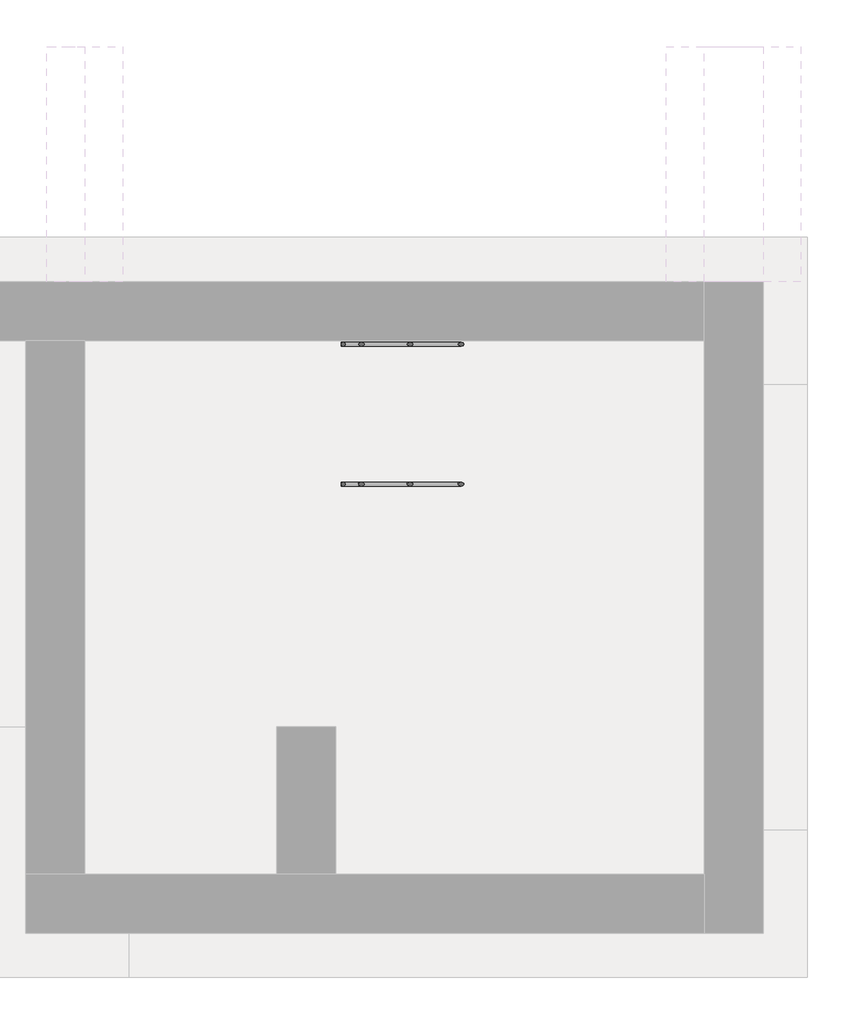
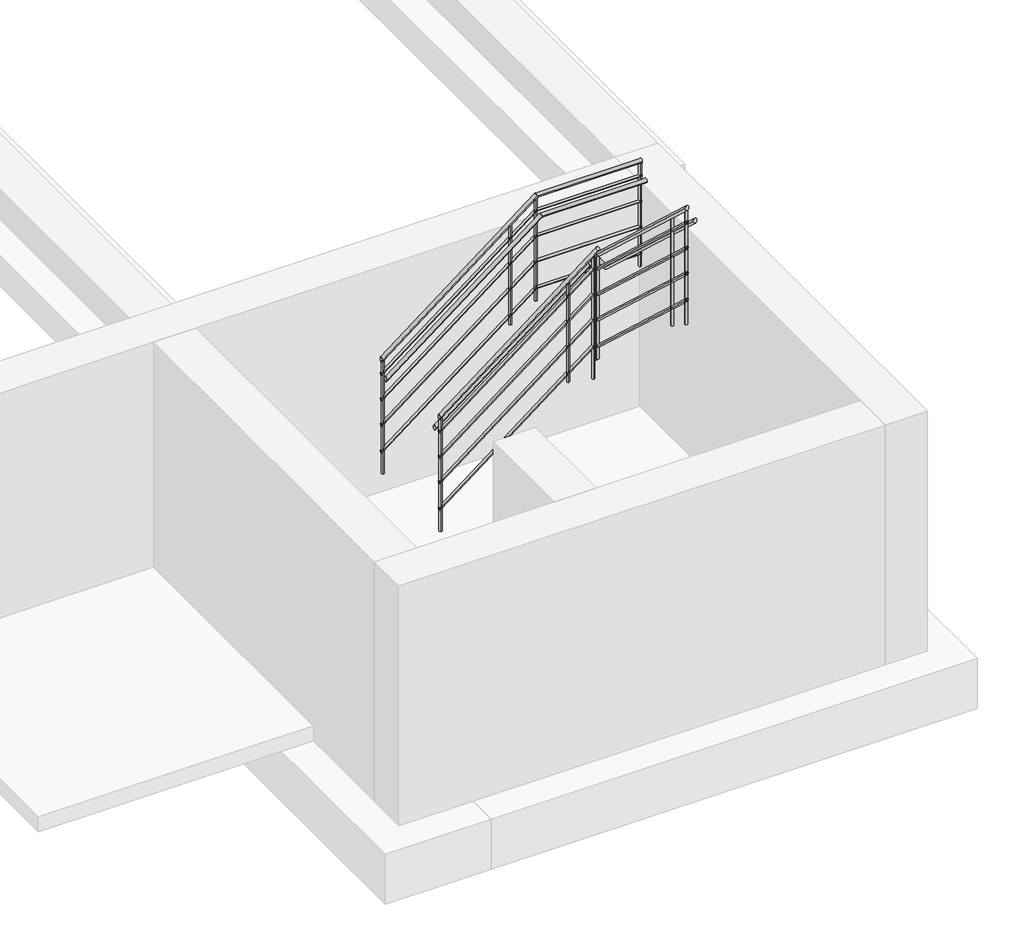
# One storey, part 2 of 2: 2 railings.
"""IFC4 building model written with IfcOpenShell, lengths in millimetres."""

from ifc_helpers import new_model, si_unit, point, frame, frame_2d, origin, place, context, project, spatial, circle_curve, ellipse_curve, trimmed, segment, composite_curve, outline, extrude, element, save
from ifc_brep_helpers import plane_surface, cylinder_surface, advanced_brep

model = new_model("IFC4")

# Units and contexts
model_context = context("Model", 3, world=origin())
ifc_project = project(units=[si_unit("LENGTHUNIT", "METRE", prefix="MILLI")], contexts=[model_context])

# Site, building, storey
site = spatial("IfcSite", under=ifc_project)
building = spatial("IfcBuilding", under=site)
storey = spatial("IfcBuildingStorey", under=building, Elevation=-2400.0)

# Railings
placement = place(None, origin())
element("IfcRailing", 1, at=placement, inside=storey, context=model_context, shape_type="AdvancedBrep", body=[
    advanced_brep(
    [(-1443.694566, 627.6465613, -1057.0709193), (-1443.694566, 665.7465613, -1057.0709193), (12.741524, 627.6465613, 64.5342762), (12.741524, 665.7465613, 64.5342762), (136.955434, 665.7465613, 64.5342762), (98.855434, 627.6465613, 64.5342762), (98.855434, 546.0415683, 64.5342762), (136.955434, 546.0415683, 64.5342762), (98.855434, -914.9034387, 1412.1701116), (136.955434, -914.9034387, 1412.1701116)],
    [
        (0, 1, ellipse_curve(frame((-1443.694566, 646.6965613, -1057.0709193), z_axis=(-1.0, 0.0, 0.0), x_axis=(0.0, 0.0, -1.0)), 24.0442244, 19.05)),
        (1, 0, ellipse_curve(frame((-1443.694566, 646.6965613, -1057.0709193), z_axis=(-1.0, 0.0, 0.0), x_axis=(0.0, 0.0, -1.0)), 24.0442244, 19.05)),
        (0, 2),
        (2, 3, ellipse_curve(frame((12.741524, 646.6965613, 64.5342762), z_axis=(-0.9466493702503109, 0.0, -0.32226537171202535), x_axis=(0.32226537171202535, 0.0, -0.9466493702503108)), 20.1236071, 19.05)),
        (3, 1),
        (3, 2, ellipse_curve(frame((12.741524, 646.6965613, 64.5342762), z_axis=(-0.9466493702503109, 0.0, -0.32226537171202535), x_axis=(0.32226537171202535, 0.0, -0.9466493702503108)), 20.1236071, 19.05)),
        (4, 5, ellipse_curve(frame((117.905434, 646.6965613, 64.5342762), z_axis=(0.7071067811865458, -0.7071067811865492, 0.0), x_axis=(0.7071067811865492, 0.7071067811865458, 0.0)), 26.9407684, 19.05)),
        (5, 6),
        (6, 7, ellipse_curve(frame((117.905434, 546.0415683, 64.5342762), z_axis=(0.0, 0.9314065444709502, -0.36398056117969285), x_axis=(0.0, 0.3639805611796922, 0.9314065444709503)), 20.4529377, 19.05)),
        (7, 4),
        (5, 4, ellipse_curve(frame((117.905434, 646.6965613, 64.5342762), z_axis=(0.7071067811865458, -0.7071067811865492, 0.0), x_axis=(0.7071067811865492, 0.7071067811865458, 0.0)), 26.9407684, 19.05)),
        (7, 6, ellipse_curve(frame((117.905434, 546.0415683, 64.5342762), z_axis=(0.0, 0.9314065444709502, -0.36398056117969285), x_axis=(0.0, 0.3639805611796922, 0.9314065444709503)), 20.4529377, 19.05)),
        (2, 5),
        (4, 3),
        (8, 9, ellipse_curve(frame((117.905434, -914.9034387, 1412.1701116), z_axis=(0.0, -1.0, 0.0), x_axis=(0.0, 0.0, -1.0)), 25.9170873, 19.05)),
        (9, 8, ellipse_curve(frame((117.905434, -914.9034387, 1412.1701116), z_axis=(0.0, -1.0, 0.0), x_axis=(0.0, 0.0, -1.0)), 25.9170873, 19.05)),
        (6, 8),
        (9, 7),
    ],
    [
        plane_surface(frame((-1443.694566, 646.6965613, -1033.026695), z_axis=(-1.0, 0.0, 0.0), x_axis=(0.0, 1.0, 0.0))),
        cylinder_surface(frame((-1432.071311, 646.6965613, -1048.1198206), z_axis=(-0.7922900603906203, 0.0, -0.6101446223693423), x_axis=(0.0, 1.0, 0.0)), 19.05),
        cylinder_surface(frame((117.905434, 646.6965613, 64.5342762), z_axis=(0.0, 1.0, 0.0), x_axis=(1.0, 0.0, 0.0)), 19.05),
        cylinder_surface(frame((6.2563823, 646.6965613, 64.5342762), z_axis=(-1.0, 0.0, 0.0), x_axis=(0.0, 1.0, 0.0)), 19.05),
        plane_surface(frame((117.905434, -914.9034387, 1438.0871989), z_axis=(0.0, -1.0, 0.0), x_axis=(0.0, 0.0, -1.0))),
        cylinder_surface(frame((117.905434, 540.5696113, 69.5818347), z_axis=(0.0, 0.7350363021666317, -0.6780277534859499), x_axis=(1.0, 0.0, 0.0)), 19.05),
    ],
    [
        (0, [[1, 2]]),
        (1, [[-1, 3, 4, 5]]),
        (1, [[-2, -5, 6, -3]]),
        (2, [[7, 8, 9, 10]]),
        (2, [[11, -10, 12, -8]]),
        (3, [[-4, 13, -7, 14]]),
        (3, [[-6, -14, -11, -13]]),
        (4, [[15, 16]]),
        (5, [[-9, 17, -16, 18]]),
        (5, [[-12, -18, -15, -17]]),
    ],
),
    advanced_brep(
    [(-1443.694566, 551.4465613, -904.6709193), (-1443.694566, 589.5465613, -904.6709193), (51.2164591, 551.4465613, 246.5639231), (66.9114928, 589.5465613, 258.6507092)],
    [
        (0, 1, ellipse_curve(frame((-1443.694566, 570.4965613, -904.6709193), z_axis=(-1.0, 0.0, 0.0), x_axis=(0.0, 0.0, -1.0)), 24.0442244, 19.05)),
        (1, 0, ellipse_curve(frame((-1443.694566, 570.4965613, -904.6709193), z_axis=(-1.0, 0.0, 0.0), x_axis=(0.0, 0.0, -1.0)), 24.0442244, 19.05)),
        (2, 3, ellipse_curve(frame((59.0639759, 570.4965613, 252.6073162), z_axis=(0.47118488526103447, -0.43713535359553446, 0.766092348570623), x_axis=(-0.7316567880904736, -0.6787846104089542, 0.06268809387033629)), 22.6585502, 19.05)),
        (3, 2, ellipse_curve(frame((59.0639759, 570.4965613, 252.6073162), z_axis=(0.47118488526103447, -0.43713535359553446, 0.766092348570623), x_axis=(-0.7316567880904736, -0.6787846104089542, 0.06268809387033629)), 22.6585502, 19.05)),
        (0, 2),
        (3, 1),
    ],
    [
        plane_surface(frame((-1443.694566, 570.4965613, -880.626695), z_axis=(-1.0, 0.0, 0.0), x_axis=(0.0, 1.0, 0.0))),
        plane_surface(frame((41.705434, 570.4965613, 263.2836825), z_axis=(0.47118488526103447, -0.43713535359553446, 0.766092348570623), x_axis=(0.8820344686584226, 0.23351873282314817, -0.4092483323351793))),
        cylinder_surface(frame((-1432.071311, 570.4965613, -895.7198206), z_axis=(-0.7922900603906202, 0.0, -0.6101446223693423), x_axis=(0.0, 1.0, 0.0)), 19.05),
    ],
    [
        (0, [[1, 2]]),
        (1, [[3, 4]]),
        (2, [[-1, 5, -4, 6]]),
        (2, [[-2, -6, -3, -5]]),
    ],
),
    advanced_brep(
    [(22.655434, 521.9878721, 239.1223961), (60.755434, 537.6829059, 224.6446507), (22.655434, -914.9034387, 1564.5701116), (60.755434, -914.9034387, 1564.5701116)],
    [
        (0, 1, ellipse_curve(frame((41.705434, 529.835389, 231.8835234), z_axis=(-0.47118488526103447, 0.43713535359553446, -0.766092348570623), x_axis=(0.7316567880904737, 0.6787846104089541, -0.06268809387033587)), 22.6585502, 19.05)),
        (1, 0, ellipse_curve(frame((41.705434, 529.835389, 231.8835234), z_axis=(-0.47118488526103447, 0.43713535359553446, -0.766092348570623), x_axis=(0.7316567880904737, 0.6787846104089541, -0.06268809387033587)), 22.6585502, 19.05)),
        (2, 3, ellipse_curve(frame((41.705434, -914.9034387, 1564.5701116), z_axis=(0.0, -1.0, 0.0), x_axis=(0.0, 0.0, -1.0)), 25.9170873, 19.05)),
        (3, 2, ellipse_curve(frame((41.705434, -914.9034387, 1564.5701116), z_axis=(0.0, -1.0, 0.0), x_axis=(0.0, 0.0, -1.0)), 25.9170873, 19.05)),
        (0, 2),
        (3, 1),
    ],
    [
        plane_surface(frame((41.705434, 547.193931, 241.7883768), z_axis=(-0.47118488526103447, 0.43713535359553446, -0.766092348570623), x_axis=(0.8820344686584226, 0.23351873282314817, -0.4092483323351793))),
        plane_surface(frame((41.705434, -914.9034387, 1590.4871989), z_axis=(0.0, -1.0, 0.0), x_axis=(0.0, 0.0, -1.0))),
        cylinder_surface(frame((41.705434, 534.2775023, 227.7859352), z_axis=(0.0, 0.7350363021666317, -0.6780277534859499), x_axis=(1.0, 0.0, 0.0)), 19.05),
    ],
    [
        (0, [[1, 2]]),
        (1, [[3, 4]]),
        (2, [[-1, 5, -4, 6]]),
        (2, [[-2, -6, -3, -5]]),
    ],
),
    advanced_brep(
    [(-1443.694566, 583.1965613, -1049.0561779), (-1443.694566, 557.7965613, -1049.0561779), (18.1165989, 583.1965613, 76.6883768), (18.1165989, 557.7965613, 76.6883768), (54.405434, -914.9034387, 1420.8091407), (29.005434, -914.9034387, 1420.8091407), (29.005434, 542.2309498, 76.6883768), (54.405434, 542.2309498, 76.6883768), (54.405434, 583.1965613, 76.6883768), (29.005434, 557.7965613, 76.6883768)],
    [
        (0, 1, ellipse_curve(frame((-1443.694566, 570.4965613, -1049.0561779), z_axis=(-1.0, 0.0, 0.0), x_axis=(0.0, 0.0, -1.0)), 16.0294829, 12.7)),
        (1, 0, ellipse_curve(frame((-1443.694566, 570.4965613, -1049.0561779), z_axis=(-1.0, 0.0, 0.0), x_axis=(0.0, 0.0, -1.0)), 16.0294829, 12.7)),
        (0, 2),
        (2, 3, ellipse_curve(frame((18.1165989, 570.4965613, 76.6883768), z_axis=(-0.9466493702503109, 0.0, -0.32226537171202535), x_axis=(0.32226537171202535, 0.0, -0.9466493702503108)), 13.4157381, 12.7)),
        (3, 1),
        (3, 2, ellipse_curve(frame((18.1165989, 570.4965613, 76.6883768), z_axis=(-0.9466493702503109, 0.0, -0.32226537171202535), x_axis=(0.32226537171202535, 0.0, -0.9466493702503108)), 13.4157381, 12.7)),
        (4, 5, ellipse_curve(frame((41.705434, -914.9034387, 1420.8091407), z_axis=(0.0, -1.0, 0.0), x_axis=(0.0, 0.0, -1.0)), 17.2780582, 12.7)),
        (5, 4, ellipse_curve(frame((41.705434, -914.9034387, 1420.8091407), z_axis=(0.0, -1.0, 0.0), x_axis=(0.0, 0.0, -1.0)), 17.2780582, 12.7)),
        (6, 7, ellipse_curve(frame((41.705434, 542.2309498, 76.6883768), z_axis=(0.0, -0.93140654447095, 0.3639805611796928), x_axis=(0.0, -0.3639805611796922, -0.9314065444709503)), 13.6352918, 12.7)),
        (7, 4),
        (5, 6),
        (7, 6, ellipse_curve(frame((41.705434, 542.2309498, 76.6883768), z_axis=(0.0, -0.93140654447095, 0.3639805611796928), x_axis=(0.0, -0.3639805611796922, -0.9314065444709503)), 13.6352918, 12.7)),
        (2, 8),
        (8, 9, ellipse_curve(frame((41.705434, 570.4965613, 76.6883768), z_axis=(-0.7071067811865458, 0.7071067811865492, 0.0), x_axis=(-0.7071067811865492, -0.7071067811865458, 0.0)), 17.9605122, 12.7)),
        (9, 3),
        (9, 8, ellipse_curve(frame((41.705434, 570.4965613, 76.6883768), z_axis=(-0.7071067811865458, 0.7071067811865492, 0.0), x_axis=(-0.7071067811865492, -0.7071067811865458, 0.0)), 17.9605122, 12.7)),
        (8, 7),
        (6, 9),
    ],
    [
        plane_surface(frame((-1443.694566, 570.4965613, -1033.026695), z_axis=(-1.0, 0.0, 0.0), x_axis=(0.0, 1.0, 0.0))),
        cylinder_surface(frame((-1435.9457293, 570.4965613, -1043.0887787), z_axis=(-0.7922900603906203, 0.0, -0.6101446223693423), x_axis=(0.0, -1.0, 0.0)), 12.7),
        plane_surface(frame((41.705434, -914.9034387, 1438.0871989), z_axis=(0.0, -1.0, 0.0), x_axis=(0.0, 0.0, -1.0))),
        cylinder_surface(frame((41.705434, 538.5829785, 80.0534157), z_axis=(0.0, 0.7350363021666317, -0.6780277534859499), x_axis=(-1.0, 0.0, 0.0)), 12.7),
        cylinder_surface(frame((13.793171, 570.4965613, 76.6883768), z_axis=(-1.0, 0.0, 0.0), x_axis=(0.0, -1.0, 0.0)), 12.7),
        cylinder_surface(frame((41.705434, 570.4965613, 76.6883768), z_axis=(0.0, 1.0, 0.0), x_axis=(-1.0, 0.0, 0.0)), 12.7),
    ],
    [
        (0, [[1, 2]]),
        (1, [[-1, 3, 4, 5]]),
        (1, [[-2, -5, 6, -3]]),
        (2, [[7, 8]]),
        (3, [[9, 10, -8, 11]]),
        (3, [[12, -11, -7, -10]]),
        (4, [[-4, 13, 14, 15]]),
        (4, [[-6, -15, 16, -13]]),
        (5, [[-14, 17, -9, 18]]),
        (5, [[-16, -18, -12, -17]]),
    ],
),
    advanced_brep(
    [(-1443.694566, 583.1965613, -1303.0561779), (-1443.694566, 557.7965613, -1303.0561779), (18.1165989, 583.1965613, -177.3116232), (18.1165989, 557.7965613, -177.3116232), (54.405434, -914.9034387, 1166.8091407), (29.005434, -914.9034387, 1166.8091407), (29.005434, 542.2309498, -177.3116232), (54.405434, 542.2309498, -177.3116232), (54.405434, 583.1965613, -177.3116232), (29.005434, 557.7965613, -177.3116232)],
    [
        (0, 1, ellipse_curve(frame((-1443.694566, 570.4965613, -1303.0561779), z_axis=(-1.0, 0.0, 0.0), x_axis=(0.0, 0.0, -1.0)), 16.0294829, 12.7)),
        (1, 0, ellipse_curve(frame((-1443.694566, 570.4965613, -1303.0561779), z_axis=(-1.0, 0.0, 0.0), x_axis=(0.0, 0.0, -1.0)), 16.0294829, 12.7)),
        (0, 2),
        (2, 3, ellipse_curve(frame((18.1165989, 570.4965613, -177.3116232), z_axis=(-0.9466493702503109, 0.0, -0.32226537171202535), x_axis=(0.32226537171202535, 0.0, -0.9466493702503108)), 13.4157381, 12.7)),
        (3, 1),
        (3, 2, ellipse_curve(frame((18.1165989, 570.4965613, -177.3116232), z_axis=(-0.9466493702503109, 0.0, -0.32226537171202535), x_axis=(0.32226537171202535, 0.0, -0.9466493702503108)), 13.4157381, 12.7)),
        (4, 5, ellipse_curve(frame((41.705434, -914.9034387, 1166.8091407), z_axis=(0.0, -1.0, 0.0), x_axis=(0.0, 0.0, -1.0)), 17.2780582, 12.7)),
        (5, 4, ellipse_curve(frame((41.705434, -914.9034387, 1166.8091407), z_axis=(0.0, -1.0, 0.0), x_axis=(0.0, 0.0, -1.0)), 17.2780582, 12.7)),
        (6, 7, ellipse_curve(frame((41.705434, 542.2309498, -177.3116232), z_axis=(0.0, -0.93140654447095, 0.3639805611796928), x_axis=(0.0, -0.3639805611796922, -0.9314065444709503)), 13.6352918, 12.7)),
        (7, 4),
        (5, 6),
        (7, 6, ellipse_curve(frame((41.705434, 542.2309498, -177.3116232), z_axis=(0.0, -0.93140654447095, 0.3639805611796928), x_axis=(0.0, -0.3639805611796922, -0.9314065444709503)), 13.6352918, 12.7)),
        (2, 8),
        (8, 9, ellipse_curve(frame((41.705434, 570.4965613, -177.3116232), z_axis=(-0.7071067811865458, 0.7071067811865492, 0.0), x_axis=(-0.7071067811865492, -0.7071067811865458, 0.0)), 17.9605122, 12.7)),
        (9, 3),
        (9, 8, ellipse_curve(frame((41.705434, 570.4965613, -177.3116232), z_axis=(-0.7071067811865458, 0.7071067811865492, 0.0), x_axis=(-0.7071067811865492, -0.7071067811865458, 0.0)), 17.9605122, 12.7)),
        (8, 7),
        (6, 9),
    ],
    [
        plane_surface(frame((-1443.694566, 570.4965613, -1287.026695), z_axis=(-1.0, 0.0, 0.0), x_axis=(0.0, 1.0, 0.0))),
        cylinder_surface(frame((-1435.9457293, 570.4965613, -1297.0887787), z_axis=(-0.7922900603906203, 0.0, -0.6101446223693423), x_axis=(0.0, -1.0, 0.0)), 12.7),
        plane_surface(frame((41.705434, -914.9034387, 1184.0871989), z_axis=(0.0, -1.0, 0.0), x_axis=(0.0, 0.0, -1.0))),
        cylinder_surface(frame((41.705434, 538.5829785, -173.9465843), z_axis=(0.0, 0.7350363021666317, -0.6780277534859499), x_axis=(-1.0, 0.0, 0.0)), 12.7),
        cylinder_surface(frame((13.793171, 570.4965613, -177.3116232), z_axis=(-1.0, 0.0, 0.0), x_axis=(0.0, -1.0, 0.0)), 12.7),
        cylinder_surface(frame((41.705434, 570.4965613, -177.3116232), z_axis=(0.0, 1.0, 0.0), x_axis=(-1.0, 0.0, 0.0)), 12.7),
    ],
    [
        (0, [[1, 2]]),
        (1, [[-1, 3, 4, 5]]),
        (1, [[-2, -5, 6, -3]]),
        (2, [[7, 8]]),
        (3, [[9, 10, -8, 11]]),
        (3, [[12, -11, -7, -10]]),
        (4, [[-4, 13, 14, 15]]),
        (4, [[-6, -15, 16, -13]]),
        (5, [[-14, 17, -9, 18]]),
        (5, [[-16, -18, -12, -17]]),
    ],
),
    advanced_brep(
    [(-1443.694566, 583.1965613, -1557.0561779), (-1443.694566, 557.7965613, -1557.0561779), (18.1165989, 583.1965613, -431.3116232), (18.1165989, 557.7965613, -431.3116232), (54.405434, -914.9034387, 912.8091407), (29.005434, -914.9034387, 912.8091407), (29.005434, 542.2309498, -431.3116232), (54.405434, 542.2309498, -431.3116232), (54.405434, 583.1965613, -431.3116232), (29.005434, 557.7965613, -431.3116232)],
    [
        (0, 1, ellipse_curve(frame((-1443.694566, 570.4965613, -1557.0561779), z_axis=(-1.0, 0.0, 0.0), x_axis=(0.0, 0.0, -1.0)), 16.0294829, 12.7)),
        (1, 0, ellipse_curve(frame((-1443.694566, 570.4965613, -1557.0561779), z_axis=(-1.0, 0.0, 0.0), x_axis=(0.0, 0.0, -1.0)), 16.0294829, 12.7)),
        (0, 2),
        (2, 3, ellipse_curve(frame((18.1165989, 570.4965613, -431.3116232), z_axis=(-0.9466493702503109, 0.0, -0.32226537171202535), x_axis=(0.32226537171202535, 0.0, -0.9466493702503108)), 13.4157381, 12.7)),
        (3, 1),
        (3, 2, ellipse_curve(frame((18.1165989, 570.4965613, -431.3116232), z_axis=(-0.9466493702503109, 0.0, -0.32226537171202535), x_axis=(0.32226537171202535, 0.0, -0.9466493702503108)), 13.4157381, 12.7)),
        (4, 5, ellipse_curve(frame((41.705434, -914.9034387, 912.8091407), z_axis=(0.0, -1.0, 0.0), x_axis=(0.0, 0.0, -1.0)), 17.2780582, 12.7)),
        (5, 4, ellipse_curve(frame((41.705434, -914.9034387, 912.8091407), z_axis=(0.0, -1.0, 0.0), x_axis=(0.0, 0.0, -1.0)), 17.2780582, 12.7)),
        (6, 7, ellipse_curve(frame((41.705434, 542.2309498, -431.3116232), z_axis=(0.0, -0.93140654447095, 0.3639805611796928), x_axis=(0.0, -0.3639805611796922, -0.9314065444709503)), 13.6352918, 12.7)),
        (7, 4),
        (5, 6),
        (7, 6, ellipse_curve(frame((41.705434, 542.2309498, -431.3116232), z_axis=(0.0, -0.93140654447095, 0.3639805611796928), x_axis=(0.0, -0.3639805611796922, -0.9314065444709503)), 13.6352918, 12.7)),
        (2, 8),
        (8, 9, ellipse_curve(frame((41.705434, 570.4965613, -431.3116232), z_axis=(-0.7071067811865458, 0.7071067811865492, 0.0), x_axis=(-0.7071067811865492, -0.7071067811865458, 0.0)), 17.9605122, 12.7)),
        (9, 3),
        (9, 8, ellipse_curve(frame((41.705434, 570.4965613, -431.3116232), z_axis=(-0.7071067811865458, 0.7071067811865492, 0.0), x_axis=(-0.7071067811865492, -0.7071067811865458, 0.0)), 17.9605122, 12.7)),
        (8, 7),
        (6, 9),
    ],
    [
        plane_surface(frame((-1443.694566, 570.4965613, -1541.026695), z_axis=(-1.0, 0.0, 0.0), x_axis=(0.0, 1.0, 0.0))),
        cylinder_surface(frame((-1435.9457293, 570.4965613, -1551.0887787), z_axis=(-0.7922900603906203, 0.0, -0.6101446223693423), x_axis=(0.0, -1.0, 0.0)), 12.7),
        plane_surface(frame((41.705434, -914.9034387, 930.0871989), z_axis=(0.0, -1.0, 0.0), x_axis=(0.0, 0.0, -1.0))),
        cylinder_surface(frame((41.705434, 538.5829785, -427.9465843), z_axis=(0.0, 0.7350363021666317, -0.6780277534859499), x_axis=(-1.0, 0.0, 0.0)), 12.7),
        cylinder_surface(frame((13.793171, 570.4965613, -431.3116232), z_axis=(-1.0, 0.0, 0.0), x_axis=(0.0, -1.0, 0.0)), 12.7),
        cylinder_surface(frame((41.705434, 570.4965613, -431.3116232), z_axis=(0.0, 1.0, 0.0), x_axis=(-1.0, 0.0, 0.0)), 12.7),
    ],
    [
        (0, [[1, 2]]),
        (1, [[-1, 3, 4, 5]]),
        (1, [[-2, -5, 6, -3]]),
        (2, [[7, 8]]),
        (3, [[9, 10, -8, 11]]),
        (3, [[12, -11, -7, -10]]),
        (4, [[-4, 13, 14, 15]]),
        (4, [[-6, -15, 16, -13]]),
        (5, [[-14, 17, -9, 18]]),
        (5, [[-16, -18, -12, -17]]),
    ],
),
    advanced_brep(
    [(-1443.694566, 583.1965613, -1823.4561779), (-1443.694566, 557.7965613, -1823.4561779), (18.1165989, 583.1965613, -697.7116232), (18.1165989, 557.7965613, -697.7116232), (54.405434, -914.9034387, 646.4091407), (29.005434, -914.9034387, 646.4091407), (29.005434, 542.2309498, -697.7116232), (54.405434, 542.2309498, -697.7116232), (54.405434, 583.1965613, -697.7116232), (29.005434, 557.7965613, -697.7116232)],
    [
        (0, 1, ellipse_curve(frame((-1443.694566, 570.4965613, -1823.4561779), z_axis=(-1.0, 0.0, 0.0), x_axis=(0.0, 0.0, -1.0)), 16.0294829, 12.7)),
        (1, 0, ellipse_curve(frame((-1443.694566, 570.4965613, -1823.4561779), z_axis=(-1.0, 0.0, 0.0), x_axis=(0.0, 0.0, -1.0)), 16.0294829, 12.7)),
        (0, 2),
        (2, 3, ellipse_curve(frame((18.1165989, 570.4965613, -697.7116232), z_axis=(-0.9466493702503109, 0.0, -0.32226537171202524), x_axis=(0.3222653717120251, 0.0, -0.9466493702503109)), 13.4157381, 12.7)),
        (3, 1),
        (3, 2, ellipse_curve(frame((18.1165989, 570.4965613, -697.7116232), z_axis=(-0.9466493702503109, 0.0, -0.32226537171202524), x_axis=(0.3222653717120251, 0.0, -0.9466493702503109)), 13.4157381, 12.7)),
        (4, 5, ellipse_curve(frame((41.705434, -914.9034387, 646.4091407), z_axis=(0.0, -1.0, 0.0), x_axis=(0.0, 0.0, -1.0)), 17.2780582, 12.7)),
        (5, 4, ellipse_curve(frame((41.705434, -914.9034387, 646.4091407), z_axis=(0.0, -1.0, 0.0), x_axis=(0.0, 0.0, -1.0)), 17.2780582, 12.7)),
        (6, 7, ellipse_curve(frame((41.705434, 542.2309498, -697.7116232), z_axis=(0.0, -0.9314065444709502, 0.36398056117969285), x_axis=(0.0, -0.36398056117969313, -0.93140654447095)), 13.6352918, 12.7)),
        (7, 4),
        (5, 6),
        (7, 6, ellipse_curve(frame((41.705434, 542.2309498, -697.7116232), z_axis=(0.0, -0.9314065444709502, 0.36398056117969285), x_axis=(0.0, -0.36398056117969313, -0.93140654447095)), 13.6352918, 12.7)),
        (2, 8),
        (8, 9, ellipse_curve(frame((41.705434, 570.4965613, -697.7116232), z_axis=(-0.7071067811865458, 0.7071067811865492, 0.0), x_axis=(-0.7071067811865492, -0.7071067811865458, 0.0)), 17.9605122, 12.7)),
        (9, 3),
        (9, 8, ellipse_curve(frame((41.705434, 570.4965613, -697.7116232), z_axis=(-0.7071067811865458, 0.7071067811865492, 0.0), x_axis=(-0.7071067811865492, -0.7071067811865458, 0.0)), 17.9605122, 12.7)),
        (8, 7),
        (6, 9),
    ],
    [
        plane_surface(frame((-1443.694566, 570.4965613, -1807.426695), z_axis=(-1.0, 0.0, 0.0), x_axis=(0.0, 1.0, 0.0))),
        cylinder_surface(frame((-1435.9457293, 570.4965613, -1817.4887787), z_axis=(-0.7922900603906203, 0.0, -0.6101446223693422), x_axis=(0.0, -1.0, 0.0)), 12.7),
        plane_surface(frame((41.705434, -914.9034387, 663.6871989), z_axis=(0.0, -1.0, 0.0), x_axis=(0.0, 0.0, -1.0))),
        cylinder_surface(frame((41.705434, 538.5829785, -694.3465843), z_axis=(0.0, 0.7350363021666317, -0.6780277534859499), x_axis=(-1.0, 0.0, 0.0)), 12.7),
        cylinder_surface(frame((13.793171, 570.4965613, -697.7116232), z_axis=(-1.0, 0.0, 0.0), x_axis=(0.0, -1.0, 0.0)), 12.7),
        cylinder_surface(frame((41.705434, 570.4965613, -697.7116232), z_axis=(0.0, 1.0, 0.0), x_axis=(-1.0, 0.0, 0.0)), 12.7),
    ],
    [
        (0, [[1, 2]]),
        (1, [[-1, 3, 4, 5]]),
        (1, [[-2, -5, 6, -3]]),
        (2, [[7, 8]]),
        (3, [[9, 10, -8, 11]]),
        (3, [[12, -11, -7, -10]]),
        (4, [[-4, 13, 14, 15]]),
        (4, [[-6, -15, 16, -13]]),
        (5, [[-14, 17, -9, 18]]),
        (5, [[-16, -18, -12, -17]]),
    ],
),
    advanced_brep(
    [(29.005434, -672.006069, 1314.5944881), (29.005434, -672.006069, 246.1538462), (54.405434, -672.006069, 246.1538462), (54.405434, -672.006069, 1314.5944881)],
    [
        (0, 1),
        (1, 2, circle_curve(frame((41.705434, -672.006069, 246.1538462), z_axis=(0.0, 0.0, 1.0), x_axis=(1.0, 0.0, 0.0)), 12.7)),
        (2, 3),
        (3, 0, ellipse_curve(frame((41.705434, -672.006069, 1314.5944881), z_axis=(0.0, -0.6780277534859483, -0.7350363021666333), x_axis=(0.0, -0.7350363021666334, 0.6780277534859481)), 17.2780582, 12.7)),
        (0, 3, ellipse_curve(frame((41.705434, -672.006069, 1314.5944881), z_axis=(0.0, -0.6780277534859483, -0.7350363021666333), x_axis=(0.0, -0.7350363021666334, 0.6780277534859481)), 17.2780582, 12.7)),
        (2, 1, circle_curve(frame((41.705434, -672.006069, 246.1538462), z_axis=(0.0, 0.0, 1.0), x_axis=(1.0, 0.0, 0.0)), 12.7)),
    ],
    [
        cylinder_surface(frame((41.705434, -672.006069, 17.5538462), z_axis=(0.0, 0.0, 1.0), x_axis=(1.0, 0.0, 0.0)), 12.7),
        plane_surface(frame((67.105434, -697.406069, 1338.0244941), z_axis=(0.0, 0.6780277534859483, 0.7350363021666333), x_axis=(-1.0, 0.0, 0.0))),
        plane_surface(frame((67.105434, -646.606069, 246.1538462), z_axis=(0.0, 0.0, -1.0), x_axis=(-1.0, 0.0, 0.0))),
    ],
    [
        (0, [[1, 2, 3, 4]]),
        (0, [[-1, 5, -3, 6]]),
        (1, [[-4, -5]]),
        (2, [[-2, -6]]),
    ],
),
    advanced_brep(
    [(-224.494566, 557.7965613, 10.193926), (-224.494566, 557.7965613, -976.9230769), (-224.494566, 583.1965613, -976.9230769), (-224.494566, 583.1965613, 10.193926)],
    [
        (0, 1),
        (1, 2, circle_curve(frame((-224.494566, 570.4965613, -976.9230769), z_axis=(0.0, 0.0, 1.0), x_axis=(0.0, 1.0, 0.0)), 12.7)),
        (2, 3),
        (3, 0, ellipse_curve(frame((-224.494566, 570.4965613, 10.193926), z_axis=(0.6101446223693403, 0.0, -0.7922900603906218), x_axis=(0.7922900603906218, 0.0, 0.6101446223693403)), 16.0294829, 12.7)),
        (0, 3, ellipse_curve(frame((-224.494566, 570.4965613, 10.193926), z_axis=(0.6101446223693403, 0.0, -0.7922900603906218), x_axis=(0.7922900603906218, 0.0, 0.6101446223693403)), 16.0294829, 12.7)),
        (2, 1, circle_curve(frame((-224.494566, 570.4965613, -976.9230769), z_axis=(0.0, 0.0, 1.0), x_axis=(0.0, 1.0, 0.0)), 12.7)),
    ],
    [
        cylinder_surface(frame((-224.494566, 570.4965613, -1205.5230769), z_axis=(0.0, 0.0, 1.0), x_axis=(0.0, 1.0, 0.0)), 12.7),
        plane_surface(frame((-199.094566, 595.8965613, 29.7545316), z_axis=(-0.6101446223693403, 0.0, 0.7922900603906218), x_axis=(0.0, -1.0, 0.0))),
        plane_surface(frame((-249.894566, 595.8965613, -976.9230769), z_axis=(0.0, 0.0, -1.0), x_axis=(0.0, -1.0, 0.0))),
    ],
    [
        (0, [[1, 2, 3, 4]]),
        (0, [[-1, 5, -3, 6]]),
        (1, [[-4, -5]]),
        (2, [[-2, -6]]),
    ],
),
    advanced_brep(
    [(29.005434, 547.193931, 189.9542022), (29.005434, 547.193931, -825.0116232), (54.405434, 547.193931, -825.0116232), (54.405434, 547.193931, 189.9542022)],
    [
        (0, 1),
        (1, 2, circle_curve(frame((41.705434, 547.193931, -825.0116232), z_axis=(0.0, 0.0, 1.0), x_axis=(1.0, 0.0, 0.0)), 12.7)),
        (2, 3),
        (3, 0, ellipse_curve(frame((41.705434, 547.193931, 189.9542022), z_axis=(0.0, -0.6780277534859472, -0.7350363021666342), x_axis=(0.0, -0.7350363021666342, 0.6780277534859473)), 17.2780582, 12.7)),
        (0, 3, ellipse_curve(frame((41.705434, 547.193931, 189.9542022), z_axis=(0.0, -0.6780277534859472, -0.7350363021666342), x_axis=(0.0, -0.7350363021666342, 0.6780277534859473)), 17.2780582, 12.7)),
        (2, 1, circle_curve(frame((41.705434, 547.193931, -825.0116232), z_axis=(0.0, 0.0, 1.0), x_axis=(1.0, 0.0, 0.0)), 12.7)),
    ],
    [
        cylinder_surface(frame((41.705434, 547.193931, -1053.6116232), z_axis=(0.0, 0.0, 1.0), x_axis=(1.0, 0.0, 0.0)), 12.7),
        plane_surface(frame((67.105434, 521.793931, 213.3842081), z_axis=(0.0, 0.6780277534859472, 0.7350363021666342), x_axis=(-1.0, 0.0, 0.0))),
        plane_surface(frame((67.105434, 572.593931, -825.0116232), z_axis=(0.0, 0.0, -1.0), x_axis=(-1.0, 0.0, 0.0))),
    ],
    [
        (0, [[1, 2, 3, 4]]),
        (0, [[-1, 5, -3, 6]]),
        (1, [[-4, -5]]),
        (2, [[-2, -6]]),
    ],
),
    advanced_brep(
    [(41.705434, 557.7965613, 215.1952337), (41.705434, 557.7965613, -846.506929), (41.705434, 583.1965613, -846.506929), (41.705434, 583.1965613, 215.1952337)],
    [
        (0, 1),
        (1, 2, circle_curve(frame((41.705434, 570.4965613, -846.506929), z_axis=(0.0, 0.0, 1.0), x_axis=(0.0, 1.0, 0.0)), 12.7)),
        (2, 3),
        (3, 0, ellipse_curve(frame((41.705434, 570.4965613, 215.1952337), z_axis=(0.610144622369339, 0.0, -0.7922900603906229), x_axis=(0.792290060390623, 0.0, 0.610144622369339)), 16.0294829, 12.7)),
        (0, 3, ellipse_curve(frame((41.705434, 570.4965613, 215.1952337), z_axis=(0.610144622369339, 0.0, -0.7922900603906229), x_axis=(0.792290060390623, 0.0, 0.610144622369339)), 16.0294829, 12.7)),
        (2, 1, circle_curve(frame((41.705434, 570.4965613, -846.506929), z_axis=(0.0, 0.0, 1.0), x_axis=(0.0, 1.0, 0.0)), 12.7)),
    ],
    [
        cylinder_surface(frame((41.705434, 570.4965613, -1075.106929), z_axis=(0.0, 0.0, 1.0), x_axis=(0.0, 1.0, 0.0)), 12.7),
        plane_surface(frame((67.105434, 595.8965613, 234.7558394), z_axis=(-0.610144622369339, 0.0, 0.7922900603906229), x_axis=(0.0, -1.0, 0.0))),
        plane_surface(frame((16.305434, 595.8965613, -846.506929), z_axis=(0.0, 0.0, -1.0), x_axis=(0.0, -1.0, 0.0))),
    ],
    [
        (0, [[1, 2, 3, 4]]),
        (0, [[-1, 5, -3, 6]]),
        (1, [[-4, -5]]),
        (2, [[-2, -6]]),
    ],
),
    advanced_brep(
    [(13.793171, 557.7965613, 193.699928), (13.793171, 557.7965613, -1026.9230769), (13.793171, 583.1965613, -1026.9230769), (13.793171, 583.1965613, 193.699928)],
    [
        (0, 1),
        (1, 2, circle_curve(frame((13.793171, 570.4965613, -1026.9230769), z_axis=(0.0, 0.0, 1.0), x_axis=(0.0, 1.0, 0.0)), 12.7)),
        (2, 3),
        (3, 0, ellipse_curve(frame((13.793171, 570.4965613, 193.699928), z_axis=(0.610144622369339, 0.0, -0.7922900603906229), x_axis=(0.792290060390623, 0.0, 0.610144622369339)), 16.0294829, 12.7)),
        (0, 3, ellipse_curve(frame((13.793171, 570.4965613, 193.699928), z_axis=(0.610144622369339, 0.0, -0.7922900603906229), x_axis=(0.792290060390623, 0.0, 0.610144622369339)), 16.0294829, 12.7)),
        (2, 1, circle_curve(frame((13.793171, 570.4965613, -1026.9230769), z_axis=(0.0, 0.0, 1.0), x_axis=(0.0, 1.0, 0.0)), 12.7)),
    ],
    [
        cylinder_surface(frame((13.793171, 570.4965613, -1255.5230769), z_axis=(0.0, 0.0, 1.0), x_axis=(0.0, 1.0, 0.0)), 12.7),
        plane_surface(frame((39.193171, 595.8965613, 213.2605336), z_axis=(-0.610144622369339, 0.0, 0.7922900603906229), x_axis=(0.0, -1.0, 0.0))),
        plane_surface(frame((-11.606829, 595.8965613, -1026.9230769), z_axis=(0.0, 0.0, -1.0), x_axis=(0.0, -1.0, 0.0))),
    ],
    [
        (0, [[1, 2, 3, 4]]),
        (0, [[-1, 5, -3, 6]]),
        (1, [[-4, -5]]),
        (2, [[-2, -6]]),
    ],
),
    advanced_brep(
    [(29.005434, -902.2034387, 1526.9380213), (29.005434, -902.2034387, 400.0), (54.405434, -902.2034387, 400.0), (54.405434, -902.2034387, 1526.9380213)],
    [
        (0, 1),
        (1, 2, circle_curve(frame((41.705434, -902.2034387, 400.0), z_axis=(0.0, 0.0, 1.0), x_axis=(1.0, 0.0, 0.0)), 12.7)),
        (2, 3),
        (3, 0, ellipse_curve(frame((41.705434, -902.2034387, 1526.9380213), z_axis=(0.0, -0.6780277534859483, -0.7350363021666333), x_axis=(0.0, -0.7350363021666334, 0.6780277534859481)), 17.2780582, 12.7)),
        (0, 3, ellipse_curve(frame((41.705434, -902.2034387, 1526.9380213), z_axis=(0.0, -0.6780277534859483, -0.7350363021666333), x_axis=(0.0, -0.7350363021666334, 0.6780277534859481)), 17.2780582, 12.7)),
        (2, 1, circle_curve(frame((41.705434, -902.2034387, 400.0), z_axis=(0.0, 0.0, 1.0), x_axis=(1.0, 0.0, 0.0)), 12.7)),
    ],
    [
        cylinder_surface(frame((41.705434, -902.2034387, 171.4), z_axis=(0.0, 0.0, 1.0), x_axis=(1.0, 0.0, 0.0)), 12.7),
        plane_surface(frame((67.105434, -927.6034387, 1550.3680273), z_axis=(0.0, 0.6780277534859483, 0.7350363021666333), x_axis=(-1.0, 0.0, 0.0))),
        plane_surface(frame((67.105434, -876.8034387, 400.0), z_axis=(0.0, 0.0, -1.0), x_axis=(-1.0, 0.0, 0.0))),
    ],
    [
        (0, [[1, 2, 3, 4]]),
        (0, [[-1, 5, -3, 6]]),
        (1, [[-4, -5]]),
        (2, [[-2, -6]]),
    ],
),
    advanced_brep(
    [(-1430.994566, 557.7965613, -918.9348409), (-1430.994566, 557.7965613, -2046.1538462), (-1430.994566, 583.1965613, -2046.1538462), (-1430.994566, 583.1965613, -918.9348409)],
    [
        (0, 1),
        (1, 2, circle_curve(frame((-1430.994566, 570.4965613, -2046.1538462), z_axis=(0.0, 0.0, 1.0), x_axis=(0.0, 1.0, 0.0)), 12.7)),
        (2, 3),
        (3, 0, ellipse_curve(frame((-1430.994566, 570.4965613, -918.9348409), z_axis=(0.6101446223693416, 0.0, -0.7922900603906208), x_axis=(0.7922900603906208, 0.0, 0.6101446223693416)), 16.0294829, 12.7)),
        (0, 3, ellipse_curve(frame((-1430.994566, 570.4965613, -918.9348409), z_axis=(0.6101446223693416, 0.0, -0.7922900603906208), x_axis=(0.7922900603906208, 0.0, 0.6101446223693416)), 16.0294829, 12.7)),
        (2, 1, circle_curve(frame((-1430.994566, 570.4965613, -2046.1538462), z_axis=(0.0, 0.0, 1.0), x_axis=(0.0, 1.0, 0.0)), 12.7)),
    ],
    [
        cylinder_surface(frame((-1430.994566, 570.4965613, -2274.7538462), z_axis=(0.0, 0.0, 1.0), x_axis=(0.0, 1.0, 0.0)), 12.7),
        plane_surface(frame((-1405.594566, 595.8965613, -899.3742353), z_axis=(-0.6101446223693416, 0.0, 0.7922900603906208), x_axis=(0.0, -1.0, 0.0))),
        plane_surface(frame((-1456.394566, 595.8965613, -2046.1538462), z_axis=(0.0, 0.0, -1.0), x_axis=(0.0, -1.0, 0.0))),
    ],
    [
        (0, [[1, 2, 3, 4]]),
        (0, [[-1, 5, -3, 6]]),
        (1, [[-4, -5]]),
        (2, [[-2, -6]]),
    ],
),
])
element("IfcRailing", 2, at=placement, inside=storey, context=model_context, shape_type="SolidModel", body=[
    advanced_brep(
    [(-1443.694566, 1424.4465613, -1057.0709193), (-1443.694566, 1462.5465613, -1057.0709193), (22.7905757, 1424.4465613, 72.2730769), (22.7905757, 1462.5465613, 72.2730769), (1016.305434, 1424.4465613, 72.2730769), (1016.305434, 1462.5465613, 72.2730769)],
    [
        (0, 1, ellipse_curve(frame((-1443.694566, 1443.4965613, -1057.0709193), z_axis=(-1.0, 0.0, 0.0), x_axis=(0.0, 0.0, -1.0)), 24.0442244, 19.05)),
        (1, 0, ellipse_curve(frame((-1443.694566, 1443.4965613, -1057.0709193), z_axis=(-1.0, 0.0, 0.0), x_axis=(0.0, 0.0, -1.0)), 24.0442244, 19.05)),
        (0, 2),
        (2, 3, ellipse_curve(frame((22.7905757, 1443.4965613, 72.2730769), z_axis=(-0.9466493702503108, 0.0, -0.32226537171202535), x_axis=(0.32226537171202535, 0.0, -0.9466493702503108)), 20.1236071, 19.05)),
        (3, 1),
        (3, 2, ellipse_curve(frame((22.7905757, 1443.4965613, 72.2730769), z_axis=(-0.9466493702503108, 0.0, -0.32226537171202535), x_axis=(0.32226537171202535, 0.0, -0.9466493702503108)), 20.1236071, 19.05)),
        (4, 5, circle_curve(frame((1016.305434, 1443.4965613, 72.2730769), z_axis=(1.0, 0.0, 0.0), x_axis=(0.0, 1.0, 0.0)), 19.05)),
        (5, 4, circle_curve(frame((1016.305434, 1443.4965613, 72.2730769), z_axis=(1.0, 0.0, 0.0), x_axis=(0.0, 1.0, 0.0)), 19.05)),
        (2, 4),
        (5, 3),
    ],
    [
        plane_surface(frame((-1443.694566, 1443.4965613, -1033.026695), z_axis=(-1.0, 0.0, 0.0), x_axis=(0.0, 1.0, 0.0))),
        cylinder_surface(frame((-1432.071311, 1443.4965613, -1048.1198206), z_axis=(-0.7922900603906202, 0.0, -0.6101446223693423), x_axis=(0.0, 1.0, 0.0)), 19.05),
        plane_surface(frame((1016.305434, 1443.4965613, 91.3230769), z_axis=(1.0, 0.0, 0.0), x_axis=(0.0, 1.0, 0.0))),
        cylinder_surface(frame((16.305434, 1443.4965613, 72.2730769), z_axis=(-1.0, 0.0, 0.0), x_axis=(0.0, 1.0, 0.0)), 19.05),
    ],
    [
        (0, [[1, 2]]),
        (1, [[-1, 3, 4, 5]]),
        (1, [[-2, -5, 6, -3]]),
        (2, [[7, 8]]),
        (3, [[-4, 9, -8, 10]]),
        (3, [[-6, -10, -7, -9]]),
    ],
),
    advanced_brep(
    [(-1443.694566, 1500.6465613, -904.6709193), (-1443.694566, 1538.7465613, -904.6709193), (1016.305434, 1500.6465613, 224.6730769), (1016.305434, 1538.7465613, 224.6730769), (22.7905757, 1500.6465613, 224.6730769), (22.7905757, 1538.7465613, 224.6730769)],
    [
        (0, 1, ellipse_curve(frame((-1443.694566, 1519.6965613, -904.6709193), z_axis=(-1.0, 0.0, 0.0), x_axis=(0.0, 0.0, -1.0)), 24.0442244, 19.05)),
        (1, 0, ellipse_curve(frame((-1443.694566, 1519.6965613, -904.6709193), z_axis=(-1.0, 0.0, 0.0), x_axis=(0.0, 0.0, -1.0)), 24.0442244, 19.05)),
        (2, 3, circle_curve(frame((1016.305434, 1519.6965613, 224.6730769), z_axis=(1.0, 0.0, 0.0), x_axis=(0.0, 1.0, 0.0)), 19.05)),
        (3, 2, circle_curve(frame((1016.305434, 1519.6965613, 224.6730769), z_axis=(1.0, 0.0, 0.0), x_axis=(0.0, 1.0, 0.0)), 19.05)),
        (0, 4),
        (4, 5, ellipse_curve(frame((22.7905757, 1519.6965613, 224.6730769), z_axis=(-0.9466493702503109, 0.0, -0.32226537171202535), x_axis=(0.32226537171202535, 0.0, -0.9466493702503108)), 20.1236071, 19.05)),
        (5, 1),
        (5, 4, ellipse_curve(frame((22.7905757, 1519.6965613, 224.6730769), z_axis=(-0.9466493702503109, 0.0, -0.32226537171202535), x_axis=(0.32226537171202535, 0.0, -0.9466493702503108)), 20.1236071, 19.05)),
        (4, 2),
        (3, 5),
    ],
    [
        plane_surface(frame((-1443.694566, 1519.6965613, -880.626695), z_axis=(-1.0, 0.0, 0.0), x_axis=(0.0, 1.0, 0.0))),
        plane_surface(frame((1016.305434, 1519.6965613, 243.7230769), z_axis=(1.0, 0.0, 0.0), x_axis=(0.0, 1.0, 0.0))),
        cylinder_surface(frame((-1432.071311, 1519.6965613, -895.7198206), z_axis=(-0.7922900603906203, 0.0, -0.6101446223693423), x_axis=(0.0, 1.0, 0.0)), 19.05),
        cylinder_surface(frame((16.305434, 1519.6965613, 224.6730769), z_axis=(-1.0, 0.0, 0.0), x_axis=(0.0, 1.0, 0.0)), 19.05),
    ],
    [
        (0, [[1, 2]]),
        (1, [[3, 4]]),
        (2, [[-1, 5, 6, 7]]),
        (2, [[-2, -7, 8, -5]]),
        (3, [[-6, 9, -4, 10]]),
        (3, [[-8, -10, -3, -9]]),
    ],
),
    advanced_brep(
    [(-1443.694566, 1506.9965613, -1049.0561779), (-1443.694566, 1532.3965613, -1049.0561779), (20.6288618, 1506.9965613, 78.6230769), (20.6288618, 1532.3965613, 78.6230769), (1016.305434, 1506.9965613, 78.6230769), (1016.305434, 1532.3965613, 78.6230769)],
    [
        (0, 1, ellipse_curve(frame((-1443.694566, 1519.6965613, -1049.0561779), z_axis=(-1.0, 0.0, 0.0), x_axis=(0.0, 0.0, -1.0)), 16.0294829, 12.7)),
        (1, 0, ellipse_curve(frame((-1443.694566, 1519.6965613, -1049.0561779), z_axis=(-1.0, 0.0, 0.0), x_axis=(0.0, 0.0, -1.0)), 16.0294829, 12.7)),
        (0, 2),
        (2, 3, ellipse_curve(frame((20.6288618, 1519.6965613, 78.6230769), z_axis=(-0.9466493702503109, 0.0, -0.32226537171202535), x_axis=(0.32226537171202535, 0.0, -0.9466493702503108)), 13.4157381, 12.7)),
        (3, 1),
        (3, 2, ellipse_curve(frame((20.6288618, 1519.6965613, 78.6230769), z_axis=(-0.9466493702503109, 0.0, -0.32226537171202535), x_axis=(0.32226537171202535, 0.0, -0.9466493702503108)), 13.4157381, 12.7)),
        (4, 5, circle_curve(frame((1016.305434, 1519.6965613, 78.6230769), z_axis=(1.0, 0.0, 0.0), x_axis=(0.0, 1.0, 0.0)), 12.7)),
        (5, 4, circle_curve(frame((1016.305434, 1519.6965613, 78.6230769), z_axis=(1.0, 0.0, 0.0), x_axis=(0.0, 1.0, 0.0)), 12.7)),
        (2, 4),
        (5, 3),
    ],
    [
        plane_surface(frame((-1443.694566, 1519.6965613, -1033.026695), z_axis=(-1.0, 0.0, 0.0), x_axis=(0.0, 1.0, 0.0))),
        cylinder_surface(frame((-1435.9457293, 1519.6965613, -1043.0887787), z_axis=(-0.7922900603906203, 0.0, -0.6101446223693423), x_axis=(0.0, 1.0, 0.0)), 12.7),
        plane_surface(frame((1016.305434, 1519.6965613, 91.3230769), z_axis=(1.0, 0.0, 0.0), x_axis=(0.0, 1.0, 0.0))),
        cylinder_surface(frame((16.305434, 1519.6965613, 78.6230769), z_axis=(-1.0, 0.0, 0.0), x_axis=(0.0, 1.0, 0.0)), 12.7),
    ],
    [
        (0, [[1, 2]]),
        (1, [[-1, 3, 4, 5]]),
        (1, [[-2, -5, 6, -3]]),
        (2, [[7, 8]]),
        (3, [[-4, 9, -8, 10]]),
        (3, [[-6, -10, -7, -9]]),
    ],
),
    advanced_brep(
    [(-1443.694566, 1506.9965613, -1303.0561779), (-1443.694566, 1532.3965613, -1303.0561779), (20.6288618, 1506.9965613, -175.3769231), (20.6288618, 1532.3965613, -175.3769231), (1016.305434, 1506.9965613, -175.3769231), (1016.305434, 1532.3965613, -175.3769231)],
    [
        (0, 1, ellipse_curve(frame((-1443.694566, 1519.6965613, -1303.0561779), z_axis=(-1.0, 0.0, 0.0), x_axis=(0.0, 0.0, -1.0)), 16.0294829, 12.7)),
        (1, 0, ellipse_curve(frame((-1443.694566, 1519.6965613, -1303.0561779), z_axis=(-1.0, 0.0, 0.0), x_axis=(0.0, 0.0, -1.0)), 16.0294829, 12.7)),
        (0, 2),
        (2, 3, ellipse_curve(frame((20.6288618, 1519.6965613, -175.3769231), z_axis=(-0.9466493702503109, 0.0, -0.32226537171202535), x_axis=(0.32226537171202535, 0.0, -0.9466493702503108)), 13.4157381, 12.7)),
        (3, 1),
        (3, 2, ellipse_curve(frame((20.6288618, 1519.6965613, -175.3769231), z_axis=(-0.9466493702503109, 0.0, -0.32226537171202535), x_axis=(0.32226537171202535, 0.0, -0.9466493702503108)), 13.4157381, 12.7)),
        (4, 5, circle_curve(frame((1016.305434, 1519.6965613, -175.3769231), z_axis=(1.0, 0.0, 0.0), x_axis=(0.0, 1.0, 0.0)), 12.7)),
        (5, 4, circle_curve(frame((1016.305434, 1519.6965613, -175.3769231), z_axis=(1.0, 0.0, 0.0), x_axis=(0.0, 1.0, 0.0)), 12.7)),
        (2, 4),
        (5, 3),
    ],
    [
        plane_surface(frame((-1443.694566, 1519.6965613, -1287.026695), z_axis=(-1.0, 0.0, 0.0), x_axis=(0.0, 1.0, 0.0))),
        cylinder_surface(frame((-1435.9457293, 1519.6965613, -1297.0887787), z_axis=(-0.7922900603906203, 0.0, -0.6101446223693423), x_axis=(0.0, 1.0, 0.0)), 12.7),
        plane_surface(frame((1016.305434, 1519.6965613, -162.6769231), z_axis=(1.0, 0.0, 0.0), x_axis=(0.0, 1.0, 0.0))),
        cylinder_surface(frame((16.305434, 1519.6965613, -175.3769231), z_axis=(-1.0, 0.0, 0.0), x_axis=(0.0, 1.0, 0.0)), 12.7),
    ],
    [
        (0, [[1, 2]]),
        (1, [[-1, 3, 4, 5]]),
        (1, [[-2, -5, 6, -3]]),
        (2, [[7, 8]]),
        (3, [[-4, 9, -8, 10]]),
        (3, [[-6, -10, -7, -9]]),
    ],
),
    advanced_brep(
    [(-1443.694566, 1506.9965613, -1557.0561779), (-1443.694566, 1532.3965613, -1557.0561779), (20.6288618, 1506.9965613, -429.3769231), (20.6288618, 1532.3965613, -429.3769231), (1016.305434, 1506.9965613, -429.3769231), (1016.305434, 1532.3965613, -429.3769231)],
    [
        (0, 1, ellipse_curve(frame((-1443.694566, 1519.6965613, -1557.0561779), z_axis=(-1.0, 0.0, 0.0), x_axis=(0.0, 0.0, -1.0)), 16.0294829, 12.7)),
        (1, 0, ellipse_curve(frame((-1443.694566, 1519.6965613, -1557.0561779), z_axis=(-1.0, 0.0, 0.0), x_axis=(0.0, 0.0, -1.0)), 16.0294829, 12.7)),
        (0, 2),
        (2, 3, ellipse_curve(frame((20.6288618, 1519.6965613, -429.3769231), z_axis=(-0.9466493702503109, 0.0, -0.32226537171202535), x_axis=(0.32226537171202535, 0.0, -0.9466493702503108)), 13.4157381, 12.7)),
        (3, 1),
        (3, 2, ellipse_curve(frame((20.6288618, 1519.6965613, -429.3769231), z_axis=(-0.9466493702503109, 0.0, -0.32226537171202535), x_axis=(0.32226537171202535, 0.0, -0.9466493702503108)), 13.4157381, 12.7)),
        (4, 5, circle_curve(frame((1016.305434, 1519.6965613, -429.3769231), z_axis=(1.0, 0.0, 0.0), x_axis=(0.0, 1.0, 0.0)), 12.7)),
        (5, 4, circle_curve(frame((1016.305434, 1519.6965613, -429.3769231), z_axis=(1.0, 0.0, 0.0), x_axis=(0.0, 1.0, 0.0)), 12.7)),
        (2, 4),
        (5, 3),
    ],
    [
        plane_surface(frame((-1443.694566, 1519.6965613, -1541.026695), z_axis=(-1.0, 0.0, 0.0), x_axis=(0.0, 1.0, 0.0))),
        cylinder_surface(frame((-1435.9457293, 1519.6965613, -1551.0887787), z_axis=(-0.7922900603906203, 0.0, -0.6101446223693423), x_axis=(0.0, 1.0, 0.0)), 12.7),
        plane_surface(frame((1016.305434, 1519.6965613, -416.6769231), z_axis=(1.0, 0.0, 0.0), x_axis=(0.0, 1.0, 0.0))),
        cylinder_surface(frame((16.305434, 1519.6965613, -429.3769231), z_axis=(-1.0, 0.0, 0.0), x_axis=(0.0, 1.0, 0.0)), 12.7),
    ],
    [
        (0, [[1, 2]]),
        (1, [[-1, 3, 4, 5]]),
        (1, [[-2, -5, 6, -3]]),
        (2, [[7, 8]]),
        (3, [[-4, 9, -8, 10]]),
        (3, [[-6, -10, -7, -9]]),
    ],
),
    advanced_brep(
    [(-1443.694566, 1506.9965613, -1823.4561779), (-1443.694566, 1532.3965613, -1823.4561779), (20.6288618, 1506.9965613, -695.7769231), (20.6288618, 1532.3965613, -695.7769231), (1016.305434, 1506.9965613, -695.7769231), (1016.305434, 1532.3965613, -695.7769231)],
    [
        (0, 1, ellipse_curve(frame((-1443.694566, 1519.6965613, -1823.4561779), z_axis=(-1.0, 0.0, 0.0), x_axis=(0.0, 0.0, -1.0)), 16.0294829, 12.7)),
        (1, 0, ellipse_curve(frame((-1443.694566, 1519.6965613, -1823.4561779), z_axis=(-1.0, 0.0, 0.0), x_axis=(0.0, 0.0, -1.0)), 16.0294829, 12.7)),
        (0, 2),
        (2, 3, ellipse_curve(frame((20.6288618, 1519.6965613, -695.7769231), z_axis=(-0.9466493702503109, 0.0, -0.3222653717120253), x_axis=(0.32226537171202546, 0.0, -0.9466493702503109)), 13.4157381, 12.7)),
        (3, 1),
        (3, 2, ellipse_curve(frame((20.6288618, 1519.6965613, -695.7769231), z_axis=(-0.9466493702503109, 0.0, -0.3222653717120253), x_axis=(0.32226537171202546, 0.0, -0.9466493702503109)), 13.4157381, 12.7)),
        (4, 5, circle_curve(frame((1016.305434, 1519.6965613, -695.7769231), z_axis=(1.0, 0.0, 0.0), x_axis=(0.0, 1.0, 0.0)), 12.7)),
        (5, 4, circle_curve(frame((1016.305434, 1519.6965613, -695.7769231), z_axis=(1.0, 0.0, 0.0), x_axis=(0.0, 1.0, 0.0)), 12.7)),
        (2, 4),
        (5, 3),
    ],
    [
        plane_surface(frame((-1443.694566, 1519.6965613, -1807.426695), z_axis=(-1.0, 0.0, 0.0), x_axis=(0.0, 1.0, 0.0))),
        cylinder_surface(frame((-1435.9457293, 1519.6965613, -1817.4887787), z_axis=(-0.7922900603906203, 0.0, -0.6101446223693422), x_axis=(0.0, 1.0, 0.0)), 12.7),
        plane_surface(frame((1016.305434, 1519.6965613, -683.0769231), z_axis=(1.0, 0.0, 0.0), x_axis=(0.0, 1.0, 0.0))),
        cylinder_surface(frame((16.305434, 1519.6965613, -695.7769231), z_axis=(-1.0, 0.0, 0.0), x_axis=(0.0, 1.0, 0.0)), 12.7),
    ],
    [
        (0, [[1, 2]]),
        (1, [[-1, 3, 4, 5]]),
        (1, [[-2, -5, 6, -3]]),
        (2, [[7, 8]]),
        (3, [[-4, 9, -8, 10]]),
        (3, [[-6, -10, -7, -9]]),
    ],
),
    advanced_brep(
    [(-224.494566, 1532.3965613, 10.193926), (-224.494566, 1506.9965613, 10.193926), (-224.494566, 1506.9965613, -976.9230769), (-224.494566, 1532.3965613, -976.9230769)],
    [
        (0, 1, ellipse_curve(frame((-224.494566, 1519.6965613, 10.193926), z_axis=(0.6101446223693403, 0.0, -0.7922900603906218), x_axis=(0.7922900603906218, 0.0, 0.6101446223693403)), 16.0294829, 12.7)),
        (1, 2),
        (2, 3, circle_curve(frame((-224.494566, 1519.6965613, -976.9230769), z_axis=(0.0, 0.0, 1.0), x_axis=(0.0, -1.0, 0.0)), 12.7)),
        (3, 0),
        (3, 2, circle_curve(frame((-224.494566, 1519.6965613, -976.9230769), z_axis=(0.0, 0.0, 1.0), x_axis=(0.0, -1.0, 0.0)), 12.7)),
        (1, 0, ellipse_curve(frame((-224.494566, 1519.6965613, 10.193926), z_axis=(0.6101446223693403, 0.0, -0.7922900603906218), x_axis=(0.7922900603906218, 0.0, 0.6101446223693403)), 16.0294829, 12.7)),
    ],
    [
        cylinder_surface(frame((-224.494566, 1519.6965613, -1205.5230769), z_axis=(0.0, 0.0, 1.0), x_axis=(0.0, -1.0, 0.0)), 12.7),
        plane_surface(frame((-199.094566, 1494.2965613, 29.7545316), z_axis=(-0.6101446223693403, 0.0, 0.7922900603906218), x_axis=(0.0, 1.0, 0.0))),
        plane_surface(frame((-249.894566, 1494.2965613, -976.9230769), z_axis=(0.0, 0.0, -1.0), x_axis=(0.0, 1.0, 0.0))),
    ],
    [
        (0, [[1, 2, 3, 4]]),
        (0, [[5, -2, 6, -4]]),
        (1, [[-6, -1]]),
        (2, [[-5, -3]]),
    ],
),
    advanced_brep(
    [(16.305434, 1532.3965613, 195.6346281), (16.305434, 1506.9965613, 195.6346281), (16.305434, 1506.9965613, -823.0769231), (16.305434, 1532.3965613, -823.0769231)],
    [
        (0, 1, ellipse_curve(frame((16.305434, 1519.6965613, 195.6346281), z_axis=(0.6101446223693403, 0.0, -0.7922900603906218), x_axis=(0.7922900603906218, 0.0, 0.6101446223693403)), 16.0294829, 12.7)),
        (1, 2),
        (2, 3, circle_curve(frame((16.305434, 1519.6965613, -823.0769231), z_axis=(0.0, 0.0, 1.0), x_axis=(0.0, -1.0, 0.0)), 12.7)),
        (3, 0),
        (3, 2, circle_curve(frame((16.305434, 1519.6965613, -823.0769231), z_axis=(0.0, 0.0, 1.0), x_axis=(0.0, -1.0, 0.0)), 12.7)),
        (1, 0, ellipse_curve(frame((16.305434, 1519.6965613, 195.6346281), z_axis=(0.6101446223693403, 0.0, -0.7922900603906218), x_axis=(0.7922900603906218, 0.0, 0.6101446223693403)), 16.0294829, 12.7)),
    ],
    [
        cylinder_surface(frame((16.305434, 1519.6965613, -1051.6769231), z_axis=(0.0, 0.0, 1.0), x_axis=(0.0, -1.0, 0.0)), 12.7),
        plane_surface(frame((41.705434, 1494.2965613, 215.1952337), z_axis=(-0.6101446223693403, 0.0, 0.7922900603906218), x_axis=(0.0, 1.0, 0.0))),
        plane_surface(frame((-9.094566, 1494.2965613, -823.0769231), z_axis=(0.0, 0.0, -1.0), x_axis=(0.0, 1.0, 0.0))),
    ],
    [
        (0, [[1, 2, 3, 4]]),
        (0, [[5, -2, 6, -4]]),
        (1, [[-6, -1]]),
        (2, [[-5, -3]]),
    ],
),
    extrude(outline(composite_curve([segment(trimmed(circle_curve(frame_2d((1003.605434, 1519.6965613)), 12.7), [point((1003.605434, 1506.9965613))], [point((1003.605434, 1532.3965613))], False, "CARTESIAN"), True, "CONTINUOUS"), segment(trimmed(circle_curve(frame_2d((1003.605434, 1519.6965613)), 12.7), [point((1003.605434, 1532.3965613))], [point((1003.605434, 1506.9965613))], False, "CARTESIAN"), True, "CONTINUOUS")], self_intersect=False)), frame((0.0, 0.0, -823.0769231), z_axis=(0.0, 0.0, 1.0), x_axis=(1.0, 0.0, 0.0)), (0.0, 0.0, 1.0), 1028.7),
    advanced_brep(
    [(-1430.994566, 1532.3965613, -918.9348409), (-1430.994566, 1506.9965613, -918.9348409), (-1430.994566, 1506.9965613, -2046.1538462), (-1430.994566, 1532.3965613, -2046.1538462)],
    [
        (0, 1, ellipse_curve(frame((-1430.994566, 1519.6965613, -918.9348409), z_axis=(0.6101446223693416, 0.0, -0.7922900603906208), x_axis=(0.7922900603906208, 0.0, 0.6101446223693416)), 16.0294829, 12.7)),
        (1, 2),
        (2, 3, circle_curve(frame((-1430.994566, 1519.6965613, -2046.1538462), z_axis=(0.0, 0.0, 1.0), x_axis=(0.0, -1.0, 0.0)), 12.7)),
        (3, 0),
        (3, 2, circle_curve(frame((-1430.994566, 1519.6965613, -2046.1538462), z_axis=(0.0, 0.0, 1.0), x_axis=(0.0, -1.0, 0.0)), 12.7)),
        (1, 0, ellipse_curve(frame((-1430.994566, 1519.6965613, -918.9348409), z_axis=(0.6101446223693416, 0.0, -0.7922900603906208), x_axis=(0.7922900603906208, 0.0, 0.6101446223693416)), 16.0294829, 12.7)),
    ],
    [
        cylinder_surface(frame((-1430.994566, 1519.6965613, -2274.7538462), z_axis=(0.0, 0.0, 1.0), x_axis=(0.0, -1.0, 0.0)), 12.7),
        plane_surface(frame((-1405.594566, 1494.2965613, -899.3742353), z_axis=(-0.6101446223693416, 0.0, 0.7922900603906208), x_axis=(0.0, 1.0, 0.0))),
        plane_surface(frame((-1456.394566, 1494.2965613, -2046.1538462), z_axis=(0.0, 0.0, -1.0), x_axis=(0.0, 1.0, 0.0))),
    ],
    [
        (0, [[1, 2, 3, 4]]),
        (0, [[5, -2, 6, -4]]),
        (1, [[-6, -1]]),
        (2, [[-5, -3]]),
    ],
),
])

save(model, "model.ifc")
